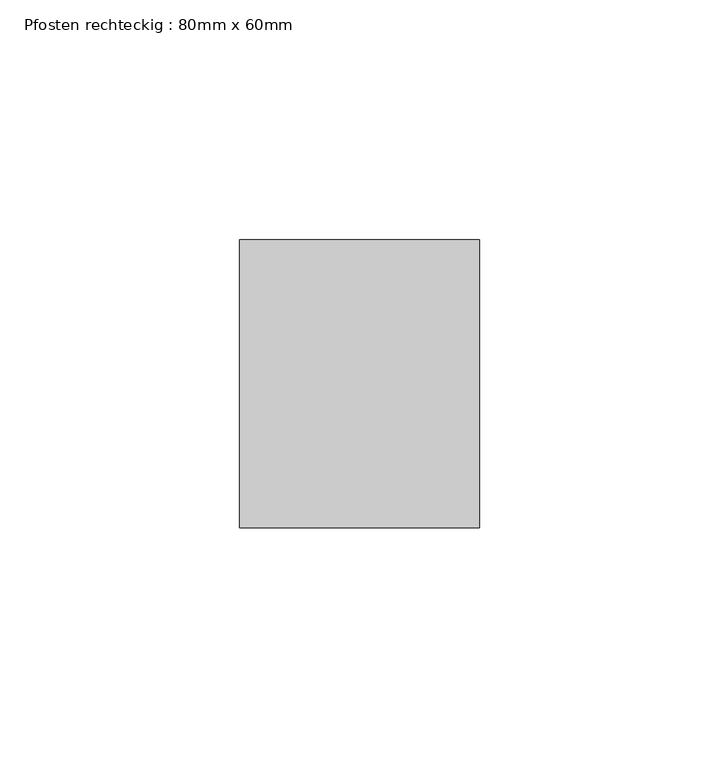
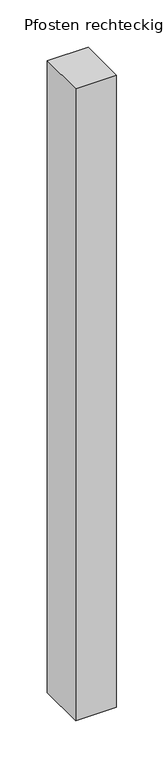
"""IFC4 building model written with IfcOpenShell, lengths in millimetres: member geometry, Pfosten rechteckig : 80mm x 60mm."""

from ifc_helpers import new_model, si_unit, frame, origin, place, context, project, spatial, polyline, outline, extrude, source, transform, mapped, element, save


def pfosten_rechteckig_80mm_x_60mm_946104a0(model_context):
    return source(origin(), model_context, "Body", "SweptSolid", [
        extrude(outline(polyline([(25.0, 30.0), (25.0, -30.0), (-25.0, -30.0), (-25.0, 30.0), (25.0, 30.0)])), frame((0.0, 0.0, -816.6666667), z_axis=(0.0, 0.0, 1.0), x_axis=(1.0, 0.0, 0.0)), (0.0, 0.0, 1.0), 816.6666667),
    ])


if __name__ == "__main__":
    model = new_model("IFC4")
    model_context = context("Model", 3, world=origin())
    ifc_project = project(units=[si_unit("LENGTHUNIT", "METRE", prefix="MILLI")], contexts=[model_context])
    site = spatial("IfcSite", under=ifc_project)
    building = spatial("IfcBuilding", under=site)
    placement = place(None, origin())
    pfosten_rechteckig_80mm_x_60mm_shape = pfosten_rechteckig_80mm_x_60mm_946104a0(model_context)
    element("IfcMember", 1, ObjectType="Pfosten rechteckig : 80mm x 60mm", at=placement, inside=building, context=model_context, shape_type="MappedRepresentation", body=[
        mapped(pfosten_rechteckig_80mm_x_60mm_shape, transform((0.0, 0.0, 0.0), x_axis=(1.0, 0.0, 0.0), y_axis=(0.0, 1.0, 0.0), z_axis=(0.0, 0.0, 1.0))),
    ])
    save(model, "model.ifc")
